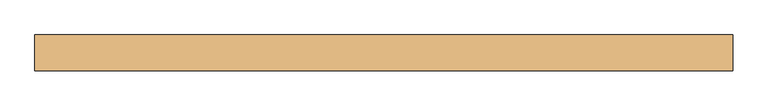
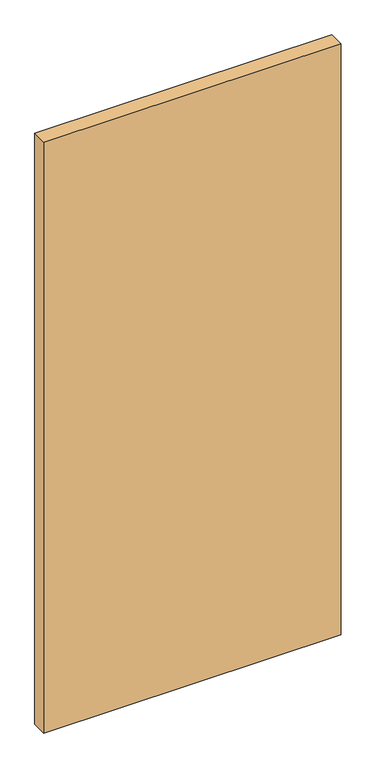
"""IFC4 building model written with IfcOpenShell, lengths in millimetres: door geometry."""

import ifcopenshell
import ifcopenshell.guid

model = None  # the IFC model being written
_history = None  # IfcOwnerHistory: only IFC2X3 demands one
_inside = {}  # id of a spatial element -> (the spatial element, [elements in it])
_under = {}  # id of a project, library or spatial element -> (it, [spatial elements below it])
_declared = {}  # id of a project -> (the project, [libraries it declares])
_typed = {}  # id of a type object -> (the type object, [elements of that type])
_made_of = {}  # id of a material, layer set ... -> (it, [elements and type objects made of it])


def new_model(schema):
    """Start an empty IFC model of exactly this schema.

    Asked for "IFC4X3", IfcOpenShell would pick the latest addendum, in which some entities
    have other attributes; the version numbers below select the first issue.
    IFC2X3 requires an IfcOwnerHistory on every rooted entity: one is made here for all.
    """
    global model, _history
    if schema == "IFC4X3":
        model = ifcopenshell.file(schema_version=(4, 3, 0, 0))
    else:
        model = ifcopenshell.file(schema=schema)
    _inside.clear()
    _under.clear()
    _declared.clear()
    _typed.clear()
    _made_of.clear()
    _history = None
    if model.schema == "IFC2X3":
        org = make("IfcOrganization", Name="unknown")
        user = make(
            "IfcPersonAndOrganization",
            ThePerson=make("IfcPerson", FamilyName="unknown"),
            TheOrganization=org,
        )
        app = make(
            "IfcApplication",
            ApplicationDeveloper=org,
            Version="unknown",
            ApplicationFullName="unknown",
            ApplicationIdentifier="unknown",
        )
        _history = make(
            "IfcOwnerHistory",
            OwningUser=user,
            OwningApplication=app,
            ChangeAction="ADDED",
            CreationDate=0,
        )
    return model


def make(cls, **values):
    """One entity of the class cls with the attributes given. An attribute that is None is left unset."""
    return model.create_entity(
        cls, **{name: value for name, value in values.items() if value is not None}
    )


def rooted(cls, **values):
    """An entity with a GlobalId (a new one), such as an element, a storey or a relation."""
    return make(cls, GlobalId=ifcopenshell.guid.new(), OwnerHistory=_history, **values)


def si_unit(unit_type, name, prefix=None):
    """IfcSIUnit, for example si_unit("LENGTHUNIT", "METRE", prefix="MILLI")."""
    return make("IfcSIUnit", UnitType=unit_type, Prefix=prefix, Name=name)


def assignment(units):
    """IfcUnitAssignment: the units of a project."""
    return None if units is None else make("IfcUnitAssignment", Units=units)


def point(xyz):
    """IfcCartesianPoint."""
    return None if xyz is None else make("IfcCartesianPoint", Coordinates=xyz)


def direction(xyz):
    """IfcDirection."""
    return None if xyz is None else make("IfcDirection", DirectionRatios=xyz)


def frame(location, z_axis=None, x_axis=None):
    """IfcAxis2Placement3D, a coordinate frame: its origin and axes. An axis left out is left unset."""
    return make(
        "IfcAxis2Placement3D",
        Location=point(location),
        Axis=direction(z_axis),
        RefDirection=direction(x_axis),
    )


def origin():
    """The frame at (0, 0, 0) with its axes left unset."""
    return frame((0.0, 0.0, 0.0))


def origin_with_axes():
    """The frame at (0, 0, 0) with the z axis (0, 0, 1) and the x axis (1, 0, 0) written out."""
    return frame((0.0, 0.0, 0.0), z_axis=(0.0, 0.0, 1.0), x_axis=(1.0, 0.0, 0.0))


def place(relative_to, where):
    """IfcLocalPlacement: puts the frame where relative to a parent placement (None: the world)."""
    return make(
        "IfcLocalPlacement", PlacementRelTo=relative_to, RelativePlacement=where
    )


def context(
    kind, dimensions, precision=None, world=None, true_north=None, identifier=None
):
    """IfcGeometricRepresentationContext, for example the 3D "Model" context."""
    return make(
        "IfcGeometricRepresentationContext",
        ContextIdentifier=identifier,
        ContextType=kind,
        CoordinateSpaceDimension=dimensions,
        Precision=precision,
        WorldCoordinateSystem=world,
        TrueNorth=true_north,
    )


def project(units=None, contexts=None):
    """IfcProject with its units and contexts."""
    return rooted(
        "IfcProject",
        Name="project",
        RepresentationContexts=contexts,
        UnitsInContext=assignment(units),
    )


def spatial(cls, under=None, at=None, **own):
    """A site, building, storey or space (cls), placed at a placement, below another one or the project."""
    s = rooted(cls, ObjectPlacement=at, **own)
    if under is not None:
        _under.setdefault(under.id(), (under, []))[1].append(s)
    return s


def polyline(points):
    """IfcPolyline through the points."""
    return make("IfcPolyline", Points=[point(p) for p in points])


def outline(outer, holes=None, kind="AREA"):
    """IfcArbitraryClosedProfileDef: a profile drawn as a closed curve; with holes, ...WithVoids."""
    if holes is None:
        return make("IfcArbitraryClosedProfileDef", ProfileType=kind, OuterCurve=outer)
    return make(
        "IfcArbitraryProfileDefWithVoids",
        ProfileType=kind,
        OuterCurve=outer,
        InnerCurves=holes,
    )


def extrude(swept, where, along, depth):
    """IfcExtrudedAreaSolid: the profile swept, set in the frame where, extruded along a direction by depth."""
    return make(
        "IfcExtrudedAreaSolid",
        SweptArea=swept,
        Position=where,
        ExtrudedDirection=direction(along),
        Depth=depth,
    )


def shape(context_of_items, identifier, shape_type, items):
    """IfcShapeRepresentation: the items that make up one representation, for example the "Body"."""
    return make(
        "IfcShapeRepresentation",
        ContextOfItems=context_of_items,
        RepresentationIdentifier=identifier,
        RepresentationType=shape_type,
        Items=items,
    )


def source(mapping_origin, context_of_items, identifier, shape_type, items):
    """IfcRepresentationMap: a shape defined once, which mapped items show again and again."""
    return make(
        "IfcRepresentationMap",
        MappingOrigin=mapping_origin,
        MappedRepresentation=shape(context_of_items, identifier, shape_type, items),
    )


def transform(
    local_origin,
    x_axis=None,
    y_axis=None,
    z_axis=None,
    scale=None,
    scale2=None,
    scale3=None,
    uniform=True,
):
    """IfcCartesianTransformationOperator3D, or its non-uniform kind. x_axis, y_axis, z_axis: its Axis1, 2, 3."""
    if uniform:
        return make(
            "IfcCartesianTransformationOperator3D",
            Axis1=direction(x_axis),
            Axis2=direction(y_axis),
            LocalOrigin=point(local_origin),
            Scale=scale,
            Axis3=direction(z_axis),
        )
    return make(
        "IfcCartesianTransformationOperator3DnonUniform",
        Axis1=direction(x_axis),
        Axis2=direction(y_axis),
        LocalOrigin=point(local_origin),
        Scale=scale,
        Axis3=direction(z_axis),
        Scale2=scale2,
        Scale3=scale3,
    )


def mapped(mapping_source, mapping_target):
    """IfcMappedItem: shows the shape of a source again, moved by a transform."""
    return make(
        "IfcMappedItem", MappingSource=mapping_source, MappingTarget=mapping_target
    )


def made_of(thing, what):
    """Note that an element or type object is made of a material, layer set ...; save() writes the relation."""
    if what is not None:
        _made_of.setdefault(what.id(), (what, []))[1].append(thing)
    return thing


def element(
    cls,
    number,
    at=None,
    inside=None,
    cuts=None,
    type_object=None,
    material=None,
    context=None,
    identifier="Body",
    shape_type=None,
    held_by="IfcProductDefinitionShape",
    body=None,
    shapes=None,
    **own,
):
    """One element of the class cls, such as IfcWall. Its Tag is "e" and its number.

    at: its placement. inside: the storey or other place that contains it. cuts: it is an
    opening in that element (IfcRelVoidsElement). A single representation is given by context,
    identifier, shape_type and body (its items); several are given by shapes. held_by: the class
    of the entity that holds the representations. save() writes the other relations.
    """
    e = rooted(cls, Tag="e%d" % number, ObjectPlacement=at, **own)
    if body is not None:
        shapes = [shape(context, identifier, shape_type, body)]
    if shapes is not None:
        e.Representation = make(held_by, Representations=shapes)
    if inside is not None:
        _inside.setdefault(inside.id(), (inside, []))[1].append(e)
    if cuts is not None:
        rooted(
            "IfcRelVoidsElement", RelatingBuildingElement=cuts, RelatedOpeningElement=e
        )
    if type_object is not None:
        _typed.setdefault(type_object.id(), (type_object, []))[1].append(e)
    return made_of(e, material)


def aggregate(whole, parts):
    """IfcRelAggregates: a whole, such as a stair, and the parts it consists of."""
    return rooted("IfcRelAggregates", RelatingObject=whole, RelatedObjects=parts)


def save(model, path):
    """Write the relations noted so far, then the file.

    IfcRelAggregates (storeys below a building ...), IfcRelContainedInSpatialStructure (elements
    in a storey), IfcRelDefinesByType, IfcRelAssociatesMaterial and IfcRelDeclares: one each for
    every whole, place, type object, material and project.
    """
    for whole, parts in _under.values():
        aggregate(whole, parts)
    for where, things in _inside.values():
        rooted(
            "IfcRelContainedInSpatialStructure",
            RelatedElements=things,
            RelatingStructure=where,
        )
    for kind, things in _typed.values():
        rooted("IfcRelDefinesByType", RelatedObjects=things, RelatingType=kind)
    for what, things in _made_of.values():
        rooted("IfcRelAssociatesMaterial", RelatedObjects=things, RelatingMaterial=what)
    for by, libraries in _declared.values():
        rooted("IfcRelDeclares", RelatingContext=by, RelatedDefinitions=libraries)
    model.write(path)


def door_0317a72c(model_context):
    return source(origin(), model_context, "Body", "SweptSolid", [
        extrude(outline(polyline([(500.0, -49.0), (500.0, -100.0), (-500.0, -100.0), (-500.0, -49.0), (500.0, -49.0)])), origin_with_axes(), (0.0, 0.0, 1.0), 2100.0),
    ])


if __name__ == "__main__":
    model = new_model("IFC4")
    model_context = context("Model", 3, world=origin())
    ifc_project = project(units=[si_unit("LENGTHUNIT", "METRE", prefix="MILLI")], contexts=[model_context])
    site = spatial("IfcSite", under=ifc_project)
    building = spatial("IfcBuilding", under=site)
    placement = place(None, origin())
    door_shape = door_0317a72c(model_context)
    element("IfcDoor", 1, at=placement, inside=building, context=model_context, shape_type="MappedRepresentation", body=[
        mapped(door_shape, transform((0.0, 0.0, 0.0), x_axis=(1.0, 0.0, 0.0), y_axis=(0.0, 1.0, 0.0), z_axis=(0.0, 0.0, 1.0))),
    ])
    save(model, "model.ifc")
